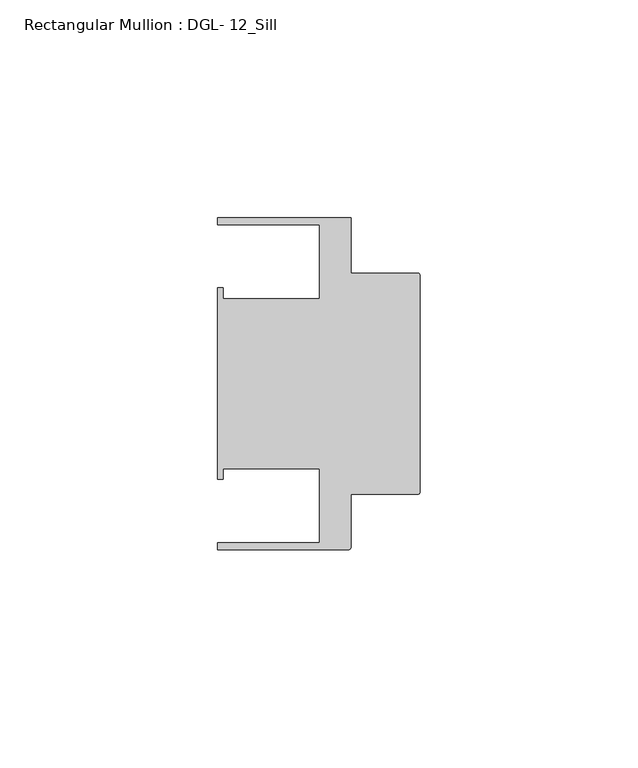
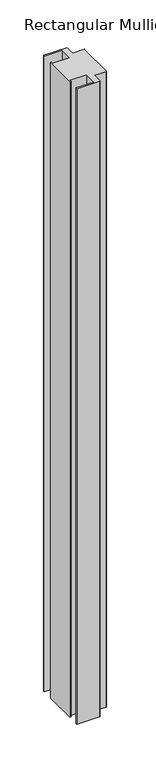
"""IFC4 building model written with IfcOpenShell, lengths in millimetres: member geometry, Rectangular Mullion : DGL- 12_Sill."""

from ifc_helpers import new_model, si_unit, point, frame, frame_2d, origin, place, context, project, spatial, polyline, circle_curve, trimmed, segment, composite_curve, outline, extrude, source, transform, mapped, element, save


def rectangular_mullion_dgl_12_sill_2585ebfa(model_context):
    return source(origin(), model_context, "Body", "SweptSolid", [
        extrude(outline(composite_curve([segment(trimmed(circle_curve(frame_2d((-0.5953125, 24.8046875)), 0.5953125), [point((-0.5953125, 25.4))], [point((0.0, 24.8046875))], False, "CARTESIAN"), True, "CONTINUOUS"), segment(polyline([(0.0, 24.8046875), (0.0, -24.8046875)]), True, "CONTINUOUS"), segment(trimmed(circle_curve(frame_2d((-0.5953125, -24.8046875)), 0.5953125), [point((0.0, -24.8046875))], [point((-0.5953125, -25.4))], False, "CARTESIAN"), True, "CONTINUOUS"), segment(polyline([(-0.5953125, -25.4), (-15.8750672, -25.4), (-15.8750672, -37.5047035)]), True, "CONTINUOUS"), segment(trimmed(circle_curve(frame_2d((-16.4703797, -37.5047035)), 0.5953125), [point((-15.8750672, -37.5047035))], [point((-16.4703797, -38.100016))], False, "CARTESIAN"), True, "CONTINUOUS"), segment(polyline([(-16.4703797, -38.100016), (-46.54296, -38.100016), (-46.54296, -36.512516), (-23.1202791, -36.512516), (-23.1202791, -19.4824275), (-45.2865266, -19.4824275), (-45.2865266, -21.9710976), (-46.54296, -21.9710976), (-46.54296, 21.9710976), (-45.2865266, 21.9710976), (-45.2865266, 19.4824275), (-23.1202791, 19.4824275), (-23.1202791, 36.512516), (-46.54296, 36.512516), (-46.54296, 38.0996792), (-15.8750672, 38.0996792), (-15.8750672, 25.4), (-0.5953125, 25.4)]), True, "CONTINUOUS")], self_intersect=False)), frame((0.0, 0.0, -886.1236105), z_axis=(0.0, 0.0, 1.0), x_axis=(1.0, 0.0, 0.0)), (0.0, 0.0, 1.0), 886.1236105),
    ])


if __name__ == "__main__":
    model = new_model("IFC4")
    model_context = context("Model", 3, world=origin())
    ifc_project = project(units=[si_unit("LENGTHUNIT", "METRE", prefix="MILLI")], contexts=[model_context])
    site = spatial("IfcSite", under=ifc_project)
    building = spatial("IfcBuilding", under=site)
    placement = place(None, origin())
    rectangular_mullion_dgl_12_sill_shape = rectangular_mullion_dgl_12_sill_2585ebfa(model_context)
    element("IfcMember", 1, ObjectType="Rectangular Mullion : DGL- 12_Sill", at=placement, inside=building, context=model_context, shape_type="MappedRepresentation", body=[
        mapped(rectangular_mullion_dgl_12_sill_shape, transform((0.0, 0.0, 0.0), x_axis=(1.0, 0.0, 0.0), y_axis=(0.0, 1.0, 0.0), z_axis=(0.0, 0.0, 1.0))),
    ])
    save(model, "model.ifc")
